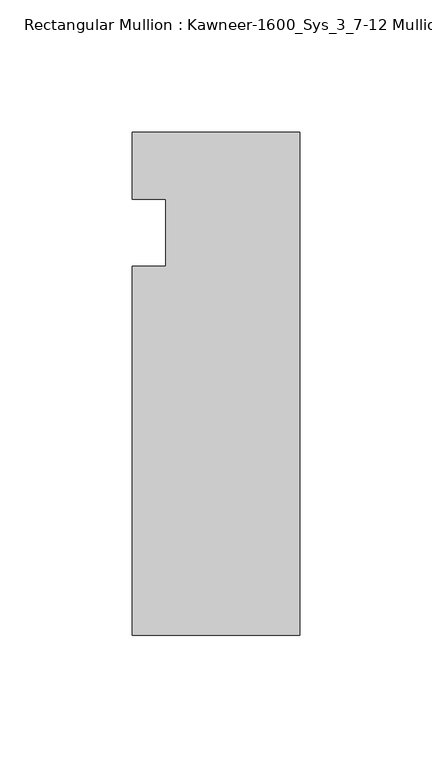
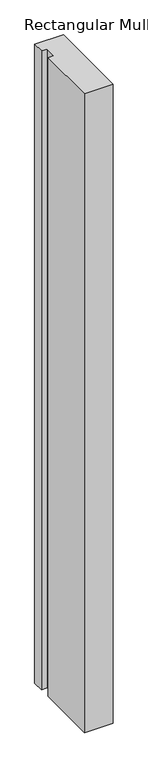
"""IFC4 building model written with IfcOpenShell, lengths in millimetres: member geometry, Rectangular Mullion : Kawneer-1600_Sys_3_7-12 Mullion_Jamb L."""

from ifc_helpers import new_model, si_unit, frame, origin, place, context, project, spatial, polyline, outline, extrude, source, transform, mapped, element, save


def rectangular_mullion_kawneer_1600_sys_3_7_12_mullion_jamb_l_6f3bb9d6(model_context):
    return source(origin(), model_context, "Body", "SweptSolid", [
        extrude(outline(polyline([(-63.5, -152.4), (-63.5, -12.7), (-50.7982296, -12.7), (-50.7982296, 12.7), (-63.5, 12.7), (-63.5, 38.1), (0.0, 38.1), (0.0, -152.4), (-63.5, -152.4)])), frame((0.0, 0.0, -1496.5844027), z_axis=(0.0, 0.0, 1.0), x_axis=(1.0, 0.0, 0.0)), (0.0, 0.0, 1.0), 1496.5844027),
    ])


if __name__ == "__main__":
    model = new_model("IFC4")
    model_context = context("Model", 3, world=origin())
    ifc_project = project(units=[si_unit("LENGTHUNIT", "METRE", prefix="MILLI")], contexts=[model_context])
    site = spatial("IfcSite", under=ifc_project)
    building = spatial("IfcBuilding", under=site)
    placement = place(None, origin())
    rectangular_mullion_kawneer_1600_sys_3_7_12_mullion_jamb_l_shape = rectangular_mullion_kawneer_1600_sys_3_7_12_mullion_jamb_l_6f3bb9d6(model_context)
    element("IfcMember", 1, ObjectType="Rectangular Mullion : Kawneer-1600_Sys_3_7-12 Mullion_Jamb L", at=placement, inside=building, context=model_context, shape_type="MappedRepresentation", body=[
        mapped(rectangular_mullion_kawneer_1600_sys_3_7_12_mullion_jamb_l_shape, transform((0.0, 0.0, 0.0), x_axis=(1.0, 0.0, 0.0), y_axis=(0.0, 1.0, 0.0), z_axis=(0.0, 0.0, 1.0))),
    ])
    save(model, "model.ifc")
